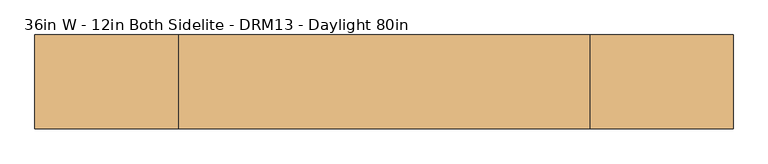
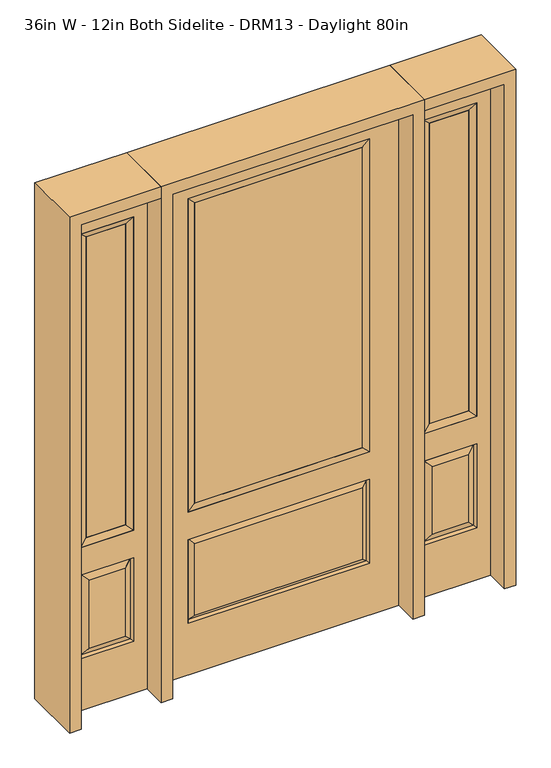
"""IFC4 building model written with IfcOpenShell, lengths in millimetres: door geometry, 36in W - 12in Both Sidelite - DRM13 - Daylight 80in."""

from ifc_helpers import new_model, si_unit, frame, origin, place, context, project, spatial, polyline, outline, extrude, faceted_brep, source, transform, mapped, element, save


def door_36in_w_12in_both_sidelite_drm13_daylight_80in_77c669ce(model_context):
    return source(origin(), model_context, "Body", "SolidModel", [
        faceted_brep([(501.65, -22.225, 0.0), (806.45, -22.225, 0.0), (806.45, -22.225, 2032.0), (501.65, -22.225, 2032.0), (754.38, -22.225, 1919.224), (754.38, -22.225, 657.098), (553.72, -22.225, 657.098), (553.72, -22.225, 1919.224), (754.38, -22.225, 209.55), (553.72, -22.225, 209.55), (553.72, -22.225, 546.1), (754.38, -22.225, 546.1), (585.4351001, -22.225, 241.2651001), (722.6648999, -22.225, 241.2651001), (722.6648999, -22.225, 514.3848999), (585.4351001, -22.225, 514.3848999), (501.65, 22.225, 0.0), (501.65, 22.225, 2032.0), (806.45, 22.225, 2032.0), (806.45, 22.225, 0.0), (754.38, 22.225, 1919.224), (553.72, 22.225, 1919.224), (553.72, 22.225, 657.098), (754.38, 22.225, 657.098), (553.72, 22.225, 209.55), (754.38, 22.225, 209.55), (754.38, 22.225, 546.1), (553.72, 22.225, 546.1), (722.6648999, 22.225, 241.2651001), (585.4351001, 22.225, 241.2651001), (585.4351001, 22.225, 514.3848999), (722.6648999, 22.225, 514.3848999), (747.2711499, 12.7912373, 216.6588501), (560.8288501, 12.7912373, 216.6588501), (560.8288501, 12.7912373, 538.9911499), (747.2711499, 12.7912373, 538.9911499), (560.8288501, -12.7912373, 216.6588501), (747.2711499, -12.7912373, 216.6588501), (560.8288501, -12.7912373, 538.9911499), (747.2711499, -12.7912373, 538.9911499)], [[[0, 1, 2, 3], [4, 5, 6, 7], [8, 9, 10, 11]], [[12, 13, 14, 15]], [[16, 17, 18, 19], [20, 21, 22, 23], [24, 25, 26, 27]], [[28, 29, 30, 31]], [[1, 0, 16, 19]], [[2, 1, 19, 18]], [[3, 2, 18, 17]], [[0, 3, 17, 16]], [[5, 4, 20, 23]], [[6, 5, 23, 22]], [[7, 6, 22, 21]], [[4, 7, 21, 20]], [[32, 33, 29, 28]], [[33, 32, 25, 24]], [[29, 33, 34, 30]], [[33, 24, 27, 34]], [[30, 34, 35, 31]], [[34, 27, 26, 35]], [[32, 28, 31, 35]], [[25, 32, 35, 26]], [[12, 36, 37, 13]], [[37, 36, 9, 8]], [[36, 12, 15, 38]], [[9, 36, 38, 10]], [[38, 15, 14, 39]], [[10, 38, 39, 11]], [[13, 37, 39, 14]], [[37, 8, 11, 39]]]),
        faceted_brep([(553.72, 22.225, 1919.224), (553.72, -22.225, 1919.224), (754.38, -22.225, 1919.224), (754.38, 22.225, 1919.224), (579.12, 12.7, 1893.824), (728.98, 12.7, 1893.824), (579.12, -12.7, 1893.824), (728.98, -12.7, 1893.824), (754.38, -22.225, 657.098), (754.38, 22.225, 657.098), (728.98, 12.7, 682.498), (728.98, -12.7, 682.498), (553.72, -22.225, 657.098), (553.72, 22.225, 657.098), (579.12, 12.7, 682.498), (579.12, -12.7, 682.498)], [[[0, 1, 2, 3]], [[4, 0, 3, 5]], [[6, 4, 5, 7]], [[1, 6, 7, 2]], [[3, 2, 8, 9]], [[5, 3, 9, 10]], [[7, 5, 10, 11]], [[2, 7, 11, 8]], [[9, 8, 12, 13]], [[10, 9, 13, 14]], [[11, 10, 14, 15]], [[8, 11, 15, 12]], [[13, 12, 1, 0]], [[14, 13, 0, 4]], [[15, 14, 4, 6]], [[12, 15, 6, 1]]]),
        extrude(outline(polyline([(728.98, -12.7), (579.12, -12.7), (579.12, 12.7), (728.98, 12.7), (728.98, -12.7)])), frame((0.0, 0.0, 682.498), z_axis=(0.0, 0.0, 1.0), x_axis=(1.0, 0.0, 0.0)), (0.0, 0.0, 1.0), 1211.326),
        faceted_brep([(-806.45, -22.225, 0.0), (-501.65, -22.225, 0.0), (-501.65, -22.225, 2032.0), (-806.45, -22.225, 2032.0), (-553.72, -22.225, 1919.224), (-553.72, -22.225, 657.098), (-754.38, -22.225, 657.098), (-754.38, -22.225, 1919.224), (-553.72, -22.225, 209.55), (-754.38, -22.225, 209.55), (-754.38, -22.225, 546.1), (-553.72, -22.225, 546.1), (-722.6648999, -22.225, 241.2651001), (-585.4351001, -22.225, 241.2651001), (-585.4351001, -22.225, 514.3848999), (-722.6648999, -22.225, 514.3848999), (-806.45, 22.225, 0.0), (-806.45, 22.225, 2032.0), (-501.65, 22.225, 2032.0), (-501.65, 22.225, 0.0), (-553.72, 22.225, 1919.224), (-754.38, 22.225, 1919.224), (-754.38, 22.225, 657.098), (-553.72, 22.225, 657.098), (-754.38, 22.225, 209.55), (-553.72, 22.225, 209.55), (-553.72, 22.225, 546.1), (-754.38, 22.225, 546.1), (-585.4351001, 22.225, 241.2651001), (-722.6648999, 22.225, 241.2651001), (-722.6648999, 22.225, 514.3848999), (-585.4351001, 22.225, 514.3848999), (-560.8288501, 12.7912373, 216.6588501), (-747.2711499, 12.7912373, 216.6588501), (-747.2711499, 12.7912373, 538.9911499), (-560.8288501, 12.7912373, 538.9911499), (-747.2711499, -12.7912373, 216.6588501), (-560.8288501, -12.7912373, 216.6588501), (-747.2711499, -12.7912373, 538.9911499), (-560.8288501, -12.7912373, 538.9911499)], [[[0, 1, 2, 3], [4, 5, 6, 7], [8, 9, 10, 11]], [[12, 13, 14, 15]], [[16, 17, 18, 19], [20, 21, 22, 23], [24, 25, 26, 27]], [[28, 29, 30, 31]], [[1, 0, 16, 19]], [[2, 1, 19, 18]], [[3, 2, 18, 17]], [[0, 3, 17, 16]], [[5, 4, 20, 23]], [[6, 5, 23, 22]], [[7, 6, 22, 21]], [[4, 7, 21, 20]], [[32, 33, 29, 28]], [[33, 32, 25, 24]], [[29, 33, 34, 30]], [[33, 24, 27, 34]], [[30, 34, 35, 31]], [[34, 27, 26, 35]], [[32, 28, 31, 35]], [[25, 32, 35, 26]], [[12, 36, 37, 13]], [[37, 36, 9, 8]], [[36, 12, 15, 38]], [[9, 36, 38, 10]], [[38, 15, 14, 39]], [[10, 38, 39, 11]], [[13, 37, 39, 14]], [[37, 8, 11, 39]]]),
        faceted_brep([(-754.38, 22.225, 1919.224), (-754.38, -22.225, 1919.224), (-553.72, -22.225, 1919.224), (-553.72, 22.225, 1919.224), (-728.98, 12.7, 1893.824), (-579.12, 12.7, 1893.824), (-728.98, -12.7, 1893.824), (-579.12, -12.7, 1893.824), (-553.72, -22.225, 657.098), (-553.72, 22.225, 657.098), (-579.12, 12.7, 682.498), (-579.12, -12.7, 682.498), (-754.38, -22.225, 657.098), (-754.38, 22.225, 657.098), (-728.98, 12.7, 682.498), (-728.98, -12.7, 682.498)], [[[0, 1, 2, 3]], [[4, 0, 3, 5]], [[6, 4, 5, 7]], [[1, 6, 7, 2]], [[3, 2, 8, 9]], [[5, 3, 9, 10]], [[7, 5, 10, 11]], [[2, 7, 11, 8]], [[9, 8, 12, 13]], [[10, 9, 13, 14]], [[11, 10, 14, 15]], [[8, 11, 15, 12]], [[13, 12, 1, 0]], [[14, 13, 0, 4]], [[15, 14, 4, 6]], [[12, 15, 6, 1]]]),
        extrude(outline(polyline([(-579.12, -12.7), (-728.98, -12.7), (-728.98, 12.7), (-579.12, 12.7), (-579.12, -12.7)])), frame((0.0, 0.0, 682.498), z_axis=(0.0, 0.0, 1.0), x_axis=(1.0, 0.0, 0.0)), (0.0, 0.0, 1.0), 1211.326),
        faceted_brep([(-338.9661499, -12.7912373, 216.6588501), (338.9661499, -12.7912373, 216.6588501), (321.46875, -22.225, 234.15625), (-321.46875, -22.225, 234.15625), (-346.075, -22.225, 209.55), (346.075, -22.225, 209.55), (-338.9661499, -12.7912373, 538.9911499), (-346.075, -22.225, 546.1), (321.46875, -22.225, 521.49375), (-321.46875, -22.225, 521.49375), (457.2, -22.225, 2032.0), (-457.2, -22.225, 2032.0), (-457.2, -22.225, 0.0), (457.2, -22.225, 0.0), (346.075, -22.225, 546.1), (346.075, -22.225, 1917.7), (346.075, -22.225, 657.098), (-346.075, -22.225, 657.098), (-346.075, -22.225, 1917.7), (338.9661499, -12.7912373, 538.9911499), (-457.2, 22.225, 2032.0), (-457.2, 22.225, 0.0), (457.2, 22.225, 0.0), (457.2, 22.225, 2032.0), (346.075, 22.225, 1917.7), (346.075, 22.225, 657.098), (-346.075, 22.225, 657.098), (-346.075, 22.225, 1917.7), (-346.075, 22.225, 209.55), (346.075, 22.225, 209.55), (346.075, 22.225, 546.1), (-346.075, 22.225, 546.1), (321.46875, 22.225, 234.15625), (-321.46875, 22.225, 234.15625), (-321.46875, 22.225, 521.49375), (321.46875, 22.225, 521.49375), (-338.9661499, 12.7912373, 216.6588501), (338.9661499, 12.7912373, 216.6588501), (338.9661499, 12.7912373, 538.9911499), (-338.9661499, 12.7912373, 538.9911499)], [[[0, 1, 2, 3]], [[1, 0, 4, 5]], [[4, 0, 6, 7]], [[3, 2, 8, 9]], [[10, 11, 12, 13], [5, 4, 7, 14], [15, 16, 17, 18]], [[1, 5, 14, 19]], [[2, 1, 19, 8]], [[0, 3, 9, 6]], [[7, 6, 19, 14]], [[6, 9, 8, 19]], [[12, 11, 20, 21]], [[13, 12, 21, 22]], [[10, 13, 22, 23]], [[16, 15, 24, 25]], [[17, 16, 25, 26]], [[18, 17, 26, 27]], [[23, 22, 21, 20], [28, 29, 30, 31], [24, 27, 26, 25]], [[32, 33, 34, 35]], [[28, 36, 37, 29]], [[29, 37, 38, 30]], [[39, 31, 30, 38]], [[36, 28, 31, 39]], [[37, 36, 33, 32]], [[33, 36, 39, 34]], [[34, 39, 38, 35]], [[37, 32, 35, 38]], [[11, 10, 23, 20]], [[15, 18, 27, 24]]]),
        faceted_brep([(-346.075, -22.225, 1917.7), (-346.075, 22.225, 1917.7), (-346.075, 22.225, 657.098), (-346.075, -22.225, 657.098), (346.075, 22.225, 657.098), (346.075, -22.225, 657.098), (-320.675, 5.08, 682.498), (320.675, 5.08, 682.498), (346.075, 22.225, 1917.7), (346.075, -22.225, 1917.7), (-320.675, -20.32, 682.498), (320.675, -20.32, 682.498), (-320.675, -20.32, 1892.3), (320.675, -20.32, 1892.3), (-320.675, 5.08, 1892.3), (320.675, 5.08, 1892.3)], [[[0, 1, 2, 3]], [[3, 2, 4, 5]], [[2, 6, 7, 4]], [[5, 4, 8, 9]], [[10, 3, 5, 11]], [[12, 0, 3, 10]], [[11, 5, 9, 13]], [[6, 10, 11, 7]], [[14, 12, 10, 6]], [[7, 11, 13, 15]], [[1, 14, 6, 2]], [[4, 7, 15, 8]], [[9, 8, 1, 0]], [[13, 9, 0, 12]], [[15, 13, 12, 14]], [[8, 15, 14, 1]]]),
        extrude(outline(polyline([(320.675, -20.32), (-320.675, -20.32), (-320.675, 5.08), (320.675, 5.08), (320.675, -20.32)])), frame((0.0, 0.0, 682.498), z_axis=(0.0, 0.0, 1.0), x_axis=(1.0, 0.0, 0.0)), (0.0, 0.0, 1.0), 1209.802),
        extrude(outline(polyline([(2032.0, -501.65), (2076.45, -501.65), (2076.45, -850.9), (0.0, -850.9), (0.0, -806.45), (2032.0, -806.45), (2032.0, -501.65)])), frame((0.0, -114.3, 0.0), z_axis=(0.0, 1.0, 0.0), x_axis=(0.0, 0.0, 1.0)), (0.0, 0.0, 1.0), 228.6),
        extrude(outline(polyline([(2076.45, -501.65), (0.0, -501.65), (0.0, -457.2), (2032.0, -457.2), (2032.0, 457.2), (0.0, 457.2), (0.0, 501.65), (2076.45, 501.65), (2076.45, -501.65)])), frame((0.0, -114.3, 0.0), z_axis=(0.0, 1.0, 0.0), x_axis=(0.0, 0.0, 1.0)), (0.0, 0.0, 1.0), 228.6),
        extrude(outline(polyline([(0.0, 806.45), (0.0, 850.9), (2076.45, 850.9), (2076.45, 501.65), (2032.0, 501.65), (2032.0, 806.45), (0.0, 806.45)])), frame((0.0, -114.3, 0.0), z_axis=(0.0, 1.0, 0.0), x_axis=(0.0, 0.0, 1.0)), (0.0, 0.0, 1.0), 228.6),
    ])


if __name__ == "__main__":
    model = new_model("IFC4")
    model_context = context("Model", 3, world=origin())
    ifc_project = project(units=[si_unit("LENGTHUNIT", "METRE", prefix="MILLI")], contexts=[model_context])
    site = spatial("IfcSite", under=ifc_project)
    building = spatial("IfcBuilding", under=site)
    placement = place(None, origin())
    door_36in_w_12in_both_sidelite_drm13_daylight_80in_shape = door_36in_w_12in_both_sidelite_drm13_daylight_80in_77c669ce(model_context)
    element("IfcDoor", 1, ObjectType="36in W - 12in Both Sidelite - DRM13 - Daylight 80in", at=placement, inside=building, context=model_context, shape_type="MappedRepresentation", body=[
        mapped(door_36in_w_12in_both_sidelite_drm13_daylight_80in_shape, transform((0.0, 0.0, 0.0), x_axis=(1.0, 0.0, 0.0), y_axis=(0.0, 1.0, 0.0), z_axis=(0.0, 0.0, 1.0))),
    ])
    save(model, "model.ifc")
